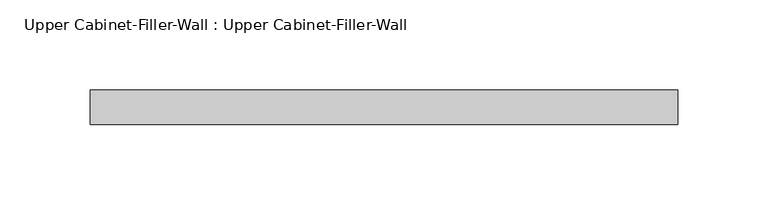
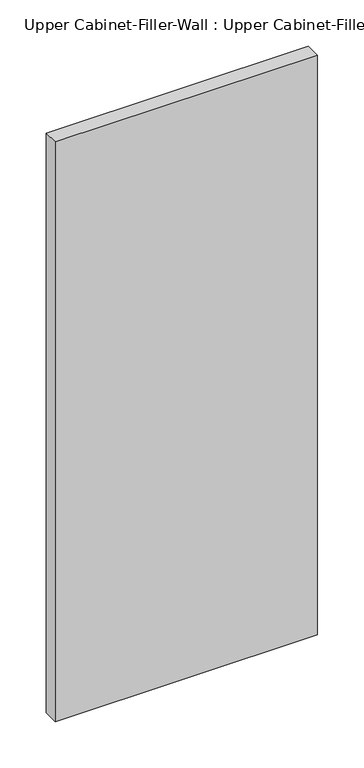
"""IFC4 building model written with IfcOpenShell, lengths in millimetres: furniture geometry, Upper Cabinet-Filler-Wall : Upper Cabinet-Filler-Wall."""

from ifc_helpers import new_model, si_unit, frame, origin, place, context, project, spatial, polyline, outline, extrude, source, transform, mapped, element, save


def upper_cabinet_filler_wall_upper_cabinet_filler_wall_02554b32(model_context):
    return source(origin(), model_context, "Body", "SweptSolid", [
        extrude(outline(polyline([(-133.0452809, 339.725), (-133.0452809, 358.775), (192.5876064, 358.775), (192.5876064, 339.725), (-133.0452809, 339.725)])), frame((0.0, 0.0, 1371.6), z_axis=(0.0, 0.0, 1.0), x_axis=(1.0, 0.0, 0.0)), (0.0, 0.0, 1.0), 762.0),
    ])


if __name__ == "__main__":
    model = new_model("IFC4")
    model_context = context("Model", 3, world=origin())
    ifc_project = project(units=[si_unit("LENGTHUNIT", "METRE", prefix="MILLI")], contexts=[model_context])
    site = spatial("IfcSite", under=ifc_project)
    building = spatial("IfcBuilding", under=site)
    placement = place(None, origin())
    upper_cabinet_filler_wall_upper_cabinet_filler_wall_shape = upper_cabinet_filler_wall_upper_cabinet_filler_wall_02554b32(model_context)
    element("IfcFurniture", 1, ObjectType="Upper Cabinet-Filler-Wall : Upper Cabinet-Filler-Wall", at=placement, inside=building, context=model_context, shape_type="MappedRepresentation", body=[
        mapped(upper_cabinet_filler_wall_upper_cabinet_filler_wall_shape, transform((0.0, 0.0, 0.0), x_axis=(1.0, 0.0, 0.0), y_axis=(0.0, 1.0, 0.0), z_axis=(0.0, 0.0, 1.0))),
    ])
    save(model, "model.ifc")
